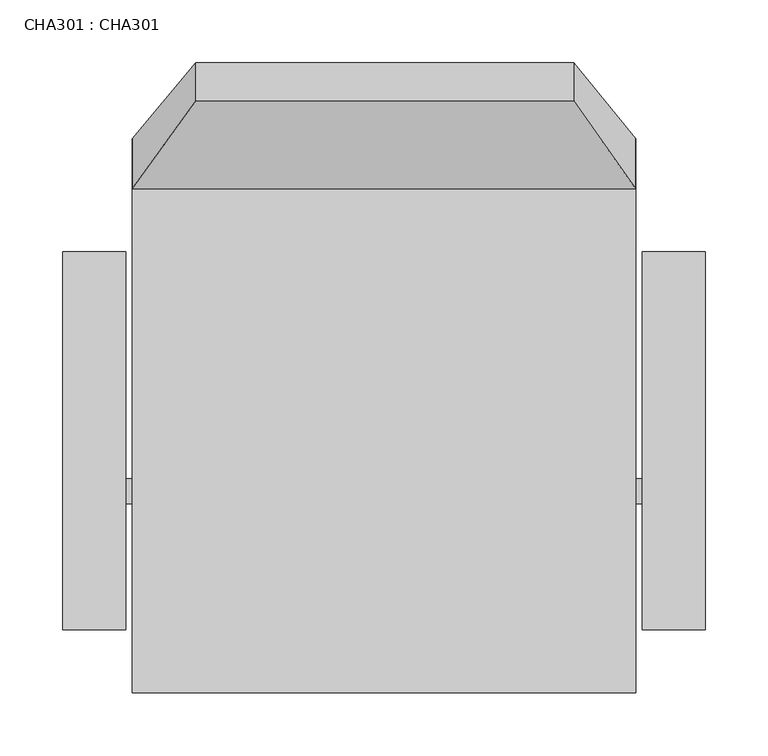
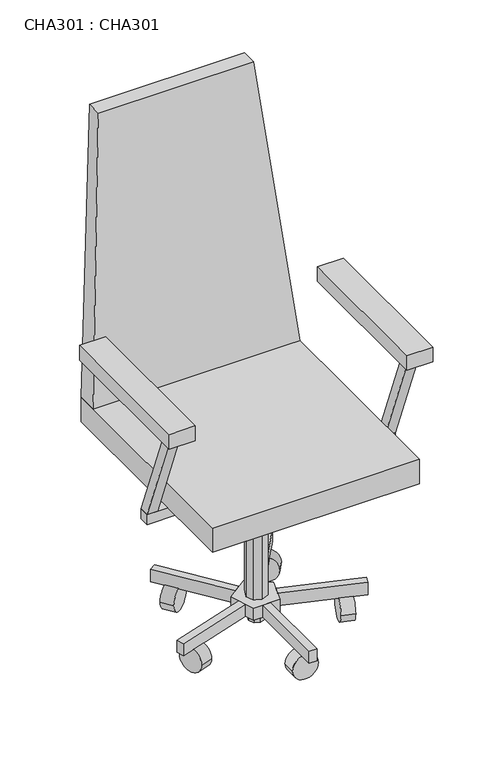
"""IFC4 building model written with IfcOpenShell, lengths in millimetres: proxy geometry, CHA301 : CHA301."""

from ifc_helpers import new_model, si_unit, point, frame, frame_2d, origin, place, context, project, spatial, polyline, circle_curve, trimmed, segment, composite_curve, outline, extrude, faceted_brep, source, transform, mapped, element, save


def cha301_cha301_fb388338(model_context):
    return source(origin(), model_context, "Body", "SolidModel", [
        extrude(outline(polyline([(10.6100003, -259.3899992), (14.9999997, -269.9999984), (10.6100003, -280.6099976), (0.0, -284.9999974), (-10.6100003, -280.6099976), (-14.9999997, -269.9999984), (-10.6100003, -259.3899992), (-7.4e-06, -255.0000025), (10.6100003, -259.3899992)])), frame((0.0, 0.0, 25.0000002), z_axis=(0.0, 0.0, 1.0), x_axis=(1.0, 0.0, 0.0)), (0.0, 0.0, 1.0), 25.0000002),
        extrude(outline(composite_curve([segment(trimmed(circle_curve(frame_2d((0.0, -25.0181176)), 25.0181177), [point((0.0, -50.0362353))], [point((0.0, 0.0))], False, "CARTESIAN"), True, "CONTINUOUS"), segment(trimmed(circle_curve(frame_2d((0.0, -25.0181176)), 25.0181177), [point((0.0, 0.0))], [point((0.0, -50.0362353))], False, "CARTESIAN"), True, "CONTINUOUS")], self_intersect=False)), frame((149.1875277, -344.8574683, 26.2892234), z_axis=(-0.951056516295113, 0.3090169943750727, 0.0), x_axis=(0.0, 0.0, -1.0)), (0.0, 0.0, 1.0), 25.0000002),
        extrude(outline(composite_curve([segment(trimmed(circle_curve(frame_2d((0.0, -25.0181177)), 25.0181177), [point((0.0, -50.0362353))], [point((0.0, 0.0))], False, "CARTESIAN"), True, "CONTINUOUS"), segment(trimmed(circle_curve(frame_2d((0.0, -25.0181177)), 25.0181177), [point((0.0, 0.0))], [point((0.0, -50.0362353))], False, "CARTESIAN"), True, "CONTINUOUS")], self_intersect=False)), frame((103.1228725, -171.0576599, 26.2892234), z_axis=(0.573576436351107, 0.8191520442889492, 0.0), x_axis=(0.0, 0.0, 1.0)), (0.0, 0.0, 1.0), 25.0000002),
        extrude(outline(composite_curve([segment(trimmed(circle_curve(frame_2d((0.0, -25.0181177)), 25.0181177), [point((0.0, -50.0362353))], [point((0.0, 0.0))], False, "CARTESIAN"), True, "CONTINUOUS"), segment(trimmed(circle_curve(frame_2d((0.0, -25.0181177)), 25.0181177), [point((0.0, 0.0))], [point((0.0, -50.0362353))], False, "CARTESIAN"), True, "CONTINUOUS")], self_intersect=False)), frame((-62.0041136, -141.9749518, 26.2892234), z_axis=(-0.5877852522924479, 0.8090169943749658, 0.0), x_axis=(0.0, 0.0, 1.0)), (0.0, 0.0, 1.0), 25.0000002),
        extrude(outline(composite_curve([segment(trimmed(circle_curve(frame_2d((0.0, -25.0181176)), 25.0181177), [point((0.0, -50.0362354))], [point((0.0, 0.0))], False, "CARTESIAN"), True, "CONTINUOUS"), segment(trimmed(circle_curve(frame_2d((0.0, -25.0181176)), 25.0181177), [point((0.0, 0.0))], [point((0.0, -50.0362354))], False, "CARTESIAN"), True, "CONTINUOUS")], self_intersect=False)), frame((-164.5669577, -297.4758041, 26.2892234), z_axis=(0.9510565162951573, 0.3090169943749361, 0.0), x_axis=(0.0, 0.0, -1.0)), (0.0, 0.0, 1.0), 25.0000002),
        extrude(outline(composite_curve([segment(trimmed(circle_curve(frame_2d((25.2824977, 0.0)), 25.0181177), [point((25.2824977, 25.0181177))], [point((25.2824977, -25.0181177))], False, "CARTESIAN"), True, "CONTINUOUS"), segment(trimmed(circle_curve(frame_2d((25.2824977, 0.0)), 25.0181177), [point((25.2824977, -25.0181177))], [point((25.2824977, 25.0181177))], False, "CARTESIAN"), True, "CONTINUOUS")], self_intersect=False)), frame((0.0, -435.0000106, 0.0), z_axis=(0.0, 1.0, 0.0), x_axis=(0.0, 0.0, 1.0)), (0.0, 0.0, 1.0), 25.0000002),
        extrude(outline(polyline([(-25.4299998, -304.9999878), (-41.1399989, -256.6299933), (0.0, -226.7399936), (41.1399989, -256.6299933), (25.4299998, -304.9999878), (-25.4299998, -304.9999878)])), frame((0.0, 0.0, 50.0000004), z_axis=(0.0, 0.0, 1.0), x_axis=(1.0, 0.0, 0.0)), (0.0, 0.0, 1.0), 25.0000002),
        extrude(outline(polyline([(14.1400004, -255.8600003), (20.0000011, -269.9999984), (14.1400004, -284.1399965), (0.0, -289.9999949), (-14.1400004, -284.1399965), (-20.0000011, -269.9999984), (-14.1400004, -255.8600003), (0.0, -250.0000019), (14.1400004, -255.8600003)])), frame((0.0, 0.0, 75.0000006), z_axis=(0.0, 0.0, 1.0), x_axis=(1.0, 0.0, 0.0)), (0.0, 0.0, 1.0), 225.0000017),
        extrude(outline(polyline([(10.6100003, -259.3899992), (14.9999997, -269.9999984), (10.6100003, -280.6099976), (0.0, -284.9999974), (-10.6100003, -280.6099976), (-14.9999997, -269.9999984), (-10.6100003, -259.3899992), (-7.4e-06, -255.0000025), (10.6100003, -259.3899992)])), frame((0.0, 0.0, 300.0000023), z_axis=(0.0, 0.0, 1.0), x_axis=(1.0, 0.0, 0.0)), (0.0, 0.0, 1.0), 50.0000004),
        extrude(outline(polyline([(-7.4999998, -304.9999878), (7.4999998, -304.9999878), (7.4999998, -460.0000108), (-7.4999998, -460.0000108), (-7.4999998, -304.9999878)])), frame((0.0, 0.0, 50.0000004), z_axis=(0.0, 0.0, 1.0), x_axis=(1.0, 0.0, 0.0)), (0.0, 0.0, 1.0), 25.0000002),
        extrude(outline(polyline([(-30.9647455, -287.9458541), (-178.3785055, -335.8434882), (-183.0137605, -321.5776405), (-35.6000004, -273.6800064), (-30.9647455, -287.9458541)])), frame((0.0, 0.0, 50.0000004), z_axis=(0.0, 0.0, 1.0), x_axis=(1.0, 0.0, 0.0)), (0.0, 0.0, 1.0), 25.0000002),
        extrude(outline(polyline([(183.0137605, -321.5776405), (178.3767354, -335.8489363), (30.9629753, -287.9513022), (35.6000004, -273.6800064), (183.0137605, -321.5776405)])), frame((0.0, 0.0, 50.0000004), z_axis=(0.0, 0.0, 1.0), x_axis=(1.0, 0.0, 0.0)), (0.0, 0.0, 1.0), 25.0000002),
        extrude(outline(polyline([(-105.6067136, -111.8823593), (-14.4999995, -237.2799934), (-26.6409197, -246.1008883), (-117.7476338, -120.7032542), (-105.6067136, -111.8823593)])), frame((0.0, 0.0, 50.0000004), z_axis=(0.0, 0.0, 1.0), x_axis=(1.0, 0.0, 0.0)), (0.0, 0.0, 1.0), 25.0000002),
        extrude(outline(polyline([(105.6067136, -111.8823593), (117.7476338, -120.7032542), (26.6409197, -246.1008883), (14.4999995, -237.2799934), (105.6067136, -111.8823593)])), frame((0.0, 0.0, 50.0000004), z_axis=(0.0, 0.0, 1.0), x_axis=(1.0, 0.0, 0.0)), (0.0, 0.0, 1.0), 25.0000002),
        extrude(outline(polyline([(-219.999998, -389.9999957), (-239.9999946, -389.9999957), (-239.9999946, -189.9999942), (-219.999998, -189.9999942), (-219.999998, -389.9999957)])), frame((0.0, 0.0, 529.9999895), z_axis=(0.0, 0.0, 1.0), x_axis=(1.0, 0.0, 0.0)), (0.0, 0.0, 1.0), 20.0000147),
        extrude(outline(polyline([(239.9999946, -189.9999942), (239.9999946, -389.9999957), (219.999998, -389.9999957), (219.999998, -189.9999942), (239.9999946, -189.9999942)])), frame((0.0, 0.0, 529.9999895), z_axis=(0.0, 0.0, 1.0), x_axis=(1.0, 0.0, 0.0)), (0.0, 0.0, 1.0), 20.0000147),
        extrude(outline(polyline([(-180.000005, -320.000017), (-239.9999946, -320.000017), (-239.9999946, -300.0000023), (-180.000005, -300.0000023), (-180.000005, -320.000017)])), frame((0.0, 0.0, 329.999988), z_axis=(0.0, 0.0, 1.0), x_axis=(1.0, 0.0, 0.0)), (0.0, 0.0, 1.0), 20.0000147),
        extrude(outline(polyline([(239.9999946, -300.0000023), (239.9999946, -320.000017), (180.000005, -320.000017), (180.000005, -300.0000023), (239.9999946, -300.0000023)])), frame((0.0, 0.0, 329.999988), z_axis=(0.0, 0.0, 1.0), x_axis=(1.0, 0.0, 0.0)), (0.0, 0.0, 1.0), 20.0000147),
        extrude(outline(polyline([(-389.9999957, 529.9999895), (-369.999981, 529.9999895), (-300.0000023, 350.0000027), (-320.000017, 350.0000027), (-389.9999957, 529.9999895)])), frame((-239.9999946, 0.0, 0.0), z_axis=(1.0, 0.0, 0.0), x_axis=(0.0, 1.0, 0.0)), (0.0, 0.0, 1.0), 19.9999965),
        extrude(outline(polyline([(-389.9999957, 529.9999895), (-369.999981, 529.9999895), (-300.0000023, 350.0000027), (-320.000017, 350.0000027), (-389.9999957, 529.9999895)])), frame((219.999998, 0.0, 0.0), z_axis=(1.0, 0.0, 0.0), x_axis=(0.0, 1.0, 0.0)), (0.0, 0.0, 1.0), 19.9999965),
        extrude(outline(polyline([(255.0000056, -119.9999973), (255.0000056, -420.0000177), (205.0000052, -420.0000177), (205.0000052, -119.9999973), (255.0000056, -119.9999973)])), frame((0.0, 0.0, 550.0000042), z_axis=(0.0, 0.0, 1.0), x_axis=(1.0, 0.0, 0.0)), (0.0, 0.0, 1.0), 29.9999857),
        extrude(outline(polyline([(-205.0000052, -420.0000177), (-255.0000056, -420.0000177), (-255.0000056, -119.9999973), (-205.0000052, -119.9999973), (-205.0000052, -420.0000177)])), frame((0.0, 0.0, 550.0000042), z_axis=(0.0, 0.0, 1.0), x_axis=(1.0, 0.0, 0.0)), (0.0, 0.0, 1.0), 29.9999857),
        extrude(outline(polyline([(200.0000015, -29.9999993), (200.0000015, -470.0000181), (-200.0000015, -470.0000181), (-200.0000015, -29.9999993), (200.0000015, -29.9999993)])), frame((0.0, 0.0, 350.0000027), z_axis=(0.0, 0.0, 1.0), x_axis=(1.0, 0.0, 0.0)), (0.0, 0.0, 1.0), 50.0000004),
        faceted_brep([(150.5200003, 29.9999993, 945.0000217), (-149.480002, 29.9999993, 945.0000217), (-149.480002, 0.0, 945.0000217), (150.5200003, 0.0, 945.0000217), (200.0000015, -29.9999993, 400.0000031), (200.0000015, -70.0000014, 400.0000031), (-200.0000015, -70.0000014, 400.0000031), (-200.0000015, -29.9999993, 400.0000031)], [[[0, 1, 2, 3]], [[4, 5, 6, 7]], [[4, 7, 1, 0]], [[7, 6, 2, 1]], [[6, 5, 3, 2]], [[5, 4, 0, 3]]]),
    ])


if __name__ == "__main__":
    model = new_model("IFC4")
    model_context = context("Model", 3, world=origin())
    ifc_project = project(units=[si_unit("LENGTHUNIT", "METRE", prefix="MILLI")], contexts=[model_context])
    site = spatial("IfcSite", under=ifc_project)
    building = spatial("IfcBuilding", under=site)
    placement = place(None, origin())
    cha301_cha301_shape = cha301_cha301_fb388338(model_context)
    element("IfcBuildingElementProxy", 1, Name="CHA301 : CHA301", ObjectType="CHA301 : CHA301", at=placement, inside=building, context=model_context, shape_type="MappedRepresentation", body=[
        mapped(cha301_cha301_shape, transform((0.0, 0.0, 0.0), x_axis=(1.0, 0.0, 0.0), y_axis=(0.0, 1.0, 0.0), z_axis=(0.0, 0.0, 1.0))),
    ])
    save(model, "model.ifc")
